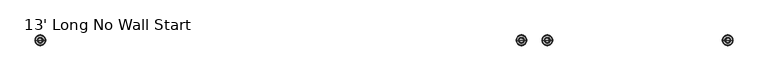
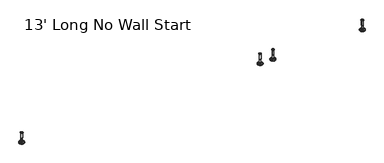
"""IFC4 building model written with IfcOpenShell, lengths in millimetres: furniture geometry, 13' Long No Wall Start."""

from ifc_helpers import new_model, si_unit, frame, origin, place, context, project, spatial, polyline, circle_curve, source, transform, mapped, element, save
from ifc_brep_helpers import plane_surface, cylinder_surface, revolved_surface, advanced_brep


def furniture_13_long_no_wall_start_12403774(model_context):
    return source(origin(), model_context, "Body", "AdvancedBrep", [
        advanced_brep(
        [(3105.3364323, 0.0, 101.6), (3114.3143537, 0.0, 101.6), (3096.3585109, 0.0, 101.6), (3119.4406722, 0.0, 0.0206943), (3105.3364323, 0.0, 0.0206943), (3091.2321924, 0.0, 0.0206943), (3124.318704, 0.0, 1.4194474), (3086.3541606, 0.0, 1.4194474), (3128.080619, 0.0, 4.7394056), (3082.5922456, 0.0, 4.7394056), (3129.1980686, 0.0, 7.5051905), (3081.474796, 0.0, 7.5051905), (3129.1980686, 0.0, 8.3065967), (3081.474796, 0.0, 8.3065967), (3128.3556654, 0.0, 9.8469348), (3082.3171992, 0.0, 9.8469348), (3127.2555228, 0.0, 10.8375077), (3083.4173418, 0.0, 10.8375077), (3119.9518276, 0.0, 12.7338946), (3090.721037, 0.0, 12.7338946), (3112.5336762, 0.0, 13.3828987), (3098.1391884, 0.0, 13.3828987), (3112.5336762, 0.0, 14.1772758), (3098.1391884, 0.0, 14.1772758), (3110.1368834, 0.0, 14.1772758), (3100.5359812, 0.0, 14.1772758), (3110.1368834, 0.0, 18.8098403), (3100.5359812, 0.0, 18.8098403), (3111.152736, 0.0, 19.8256929), (3099.5201286, 0.0, 19.8256929), (3111.152736, 0.0, 48.3056352), (3099.5201286, 0.0, 48.3056352), (3112.3762639, 0.0, 49.9293116), (3098.2966007, 0.0, 49.9293116), (3112.3762639, 0.0, 97.327223), (3098.2966007, 0.0, 97.327223), (3113.2573683, 0.0, 97.6479188), (3097.4154963, 0.0, 97.6479188), (3114.3063572, 0.0, 97.6479188), (3096.3665074, 0.0, 97.6479188), (3115.9713871, 0.0, 98.6092242), (3094.7014775, 0.0, 98.6092242), (3115.9713871, 0.0, 100.6043539), (3094.7014775, 0.0, 100.6043539)],
        [
            (0, 1),
            (1, 2, circle_curve(frame((3105.3364323, 0.0, 101.6), z_axis=(0.0, 0.0, 1.0), x_axis=(-1.0, 0.0, 0.0)), 8.9779214)),
            (2, 0),
            (2, 1, circle_curve(frame((3105.3364323, 0.0, 101.6), z_axis=(0.0, 0.0, 1.0), x_axis=(-1.0, 0.0, 0.0)), 8.9779214)),
            (3, 4),
            (4, 5),
            (5, 3, circle_curve(frame((3105.3364323, 0.0, 0.0206943), z_axis=(0.0, 0.0, -1.0), x_axis=(-1.0, 0.0, 0.0)), 14.1042399)),
            (3, 5, circle_curve(frame((3105.3364323, 0.0, 0.0206943), z_axis=(0.0, 0.0, -1.0), x_axis=(-1.0, 0.0, 0.0)), 14.1042399)),
            (6, 3),
            (5, 7),
            (7, 6, circle_curve(frame((3105.3364323, 0.0, 1.4194474), z_axis=(0.0, 0.0, -1.0), x_axis=(-1.0, 0.0, 0.0)), 18.9822717)),
            (6, 7, circle_curve(frame((3105.3364323, 0.0, 1.4194474), z_axis=(0.0, 0.0, -1.0), x_axis=(-1.0, 0.0, 0.0)), 18.9822717)),
            (8, 6),
            (7, 9),
            (9, 8, circle_curve(frame((3105.3364323, 0.0, 4.7394056), z_axis=(0.0, 0.0, -1.0), x_axis=(-1.0, 0.0, 0.0)), 22.7441867)),
            (8, 9, circle_curve(frame((3105.3364323, 0.0, 4.7394056), z_axis=(0.0, 0.0, -1.0), x_axis=(-1.0, 0.0, 0.0)), 22.7441867)),
            (10, 8),
            (9, 11),
            (11, 10, circle_curve(frame((3105.3364323, 0.0, 7.5051905), z_axis=(0.0, 0.0, -1.0), x_axis=(-1.0, 0.0, 0.0)), 23.8616363)),
            (10, 11, circle_curve(frame((3105.3364323, 0.0, 7.5051905), z_axis=(0.0, 0.0, -1.0), x_axis=(-1.0, 0.0, 0.0)), 23.8616363)),
            (12, 10),
            (11, 13),
            (13, 12, circle_curve(frame((3105.3364323, 0.0, 8.3065967), z_axis=(0.0, 0.0, -1.0), x_axis=(-1.0, 0.0, 0.0)), 23.8616363)),
            (12, 13, circle_curve(frame((3105.3364323, 0.0, 8.3065967), z_axis=(0.0, 0.0, -1.0), x_axis=(-1.0, 0.0, 0.0)), 23.8616363)),
            (14, 12),
            (13, 15),
            (15, 14, circle_curve(frame((3105.3364323, 0.0, 9.8469348), z_axis=(0.0, 0.0, -1.0), x_axis=(-1.0, 0.0, 0.0)), 23.0192331)),
            (14, 15, circle_curve(frame((3105.3364323, 0.0, 9.8469348), z_axis=(0.0, 0.0, -1.0), x_axis=(-1.0, 0.0, 0.0)), 23.0192331)),
            (16, 14),
            (15, 17),
            (17, 16, circle_curve(frame((3105.3364323, 0.0, 10.8375077), z_axis=(0.0, 0.0, -1.0), x_axis=(-1.0, 0.0, 0.0)), 21.9190905)),
            (16, 17, circle_curve(frame((3105.3364323, 0.0, 10.8375077), z_axis=(0.0, 0.0, -1.0), x_axis=(-1.0, 0.0, 0.0)), 21.9190905)),
            (18, 16),
            (17, 19),
            (19, 18, circle_curve(frame((3105.3364323, 0.0, 12.7338946), z_axis=(0.0, 0.0, -1.0), x_axis=(-1.0, 0.0, 0.0)), 14.6153953)),
            (18, 19, circle_curve(frame((3105.3364323, 0.0, 12.7338946), z_axis=(0.0, 0.0, -1.0), x_axis=(-1.0, 0.0, 0.0)), 14.6153953)),
            (20, 18),
            (19, 21),
            (21, 20, circle_curve(frame((3105.3364323, 0.0, 13.3828987), z_axis=(0.0, 0.0, -1.0), x_axis=(-1.0, 0.0, 0.0)), 7.1972439)),
            (20, 21, circle_curve(frame((3105.3364323, 0.0, 13.3828987), z_axis=(0.0, 0.0, -1.0), x_axis=(-1.0, 0.0, 0.0)), 7.1972439)),
            (22, 20),
            (21, 23),
            (23, 22, circle_curve(frame((3105.3364323, 0.0, 14.1772758), z_axis=(0.0, 0.0, -1.0), x_axis=(-1.0, 0.0, 0.0)), 7.1972439)),
            (22, 23, circle_curve(frame((3105.3364323, 0.0, 14.1772758), z_axis=(0.0, 0.0, -1.0), x_axis=(-1.0, 0.0, 0.0)), 7.1972439)),
            (24, 22),
            (23, 25),
            (25, 24, circle_curve(frame((3105.3364323, 0.0, 14.1772758), z_axis=(0.0, 0.0, -1.0), x_axis=(-1.0, 0.0, 0.0)), 4.8004511)),
            (24, 25, circle_curve(frame((3105.3364323, 0.0, 14.1772758), z_axis=(0.0, 0.0, -1.0), x_axis=(-1.0, 0.0, 0.0)), 4.8004511)),
            (26, 24),
            (25, 27),
            (27, 26, circle_curve(frame((3105.3364323, 0.0, 18.8098403), z_axis=(0.0, 0.0, -1.0), x_axis=(-1.0, 0.0, 0.0)), 4.8004511)),
            (26, 27, circle_curve(frame((3105.3364323, 0.0, 18.8098403), z_axis=(0.0, 0.0, -1.0), x_axis=(-1.0, 0.0, 0.0)), 4.8004511)),
            (28, 26),
            (27, 29),
            (29, 28, circle_curve(frame((3105.3364323, 0.0, 19.8256929), z_axis=(0.0, 0.0, -1.0), x_axis=(-1.0, 0.0, 0.0)), 5.8163037)),
            (28, 29, circle_curve(frame((3105.3364323, 0.0, 19.8256929), z_axis=(0.0, 0.0, -1.0), x_axis=(-1.0, 0.0, 0.0)), 5.8163037)),
            (30, 28),
            (29, 31),
            (31, 30, circle_curve(frame((3105.3364323, 0.0, 48.3056352), z_axis=(0.0, 0.0, -1.0), x_axis=(-1.0, 0.0, 0.0)), 5.8163037)),
            (30, 31, circle_curve(frame((3105.3364323, 0.0, 48.3056352), z_axis=(0.0, 0.0, -1.0), x_axis=(-1.0, 0.0, 0.0)), 5.8163037)),
            (32, 30),
            (31, 33),
            (33, 32, circle_curve(frame((3105.3364323, 0.0, 49.9293116), z_axis=(0.0, 0.0, -1.0), x_axis=(-1.0, 0.0, 0.0)), 7.0398316)),
            (32, 33, circle_curve(frame((3105.3364323, 0.0, 49.9293116), z_axis=(0.0, 0.0, -1.0), x_axis=(-1.0, 0.0, 0.0)), 7.0398316)),
            (34, 32),
            (33, 35),
            (35, 34, circle_curve(frame((3105.3364323, 0.0, 97.327223), z_axis=(0.0, 0.0, -1.0), x_axis=(-1.0, 0.0, 0.0)), 7.0398316)),
            (34, 35, circle_curve(frame((3105.3364323, 0.0, 97.327223), z_axis=(0.0, 0.0, -1.0), x_axis=(-1.0, 0.0, 0.0)), 7.0398316)),
            (36, 34),
            (35, 37),
            (37, 36, circle_curve(frame((3105.3364323, 0.0, 97.6479188), z_axis=(0.0, 0.0, -1.0), x_axis=(-1.0, 0.0, 0.0)), 7.920936)),
            (36, 37, circle_curve(frame((3105.3364323, 0.0, 97.6479188), z_axis=(0.0, 0.0, -1.0), x_axis=(-1.0, 0.0, 0.0)), 7.920936)),
            (38, 36),
            (37, 39),
            (39, 38, circle_curve(frame((3105.3364323, 0.0, 97.6479188), z_axis=(0.0, 0.0, -1.0), x_axis=(-1.0, 0.0, 0.0)), 8.9699249)),
            (38, 39, circle_curve(frame((3105.3364323, 0.0, 97.6479188), z_axis=(0.0, 0.0, -1.0), x_axis=(-1.0, 0.0, 0.0)), 8.9699249)),
            (40, 38),
            (39, 41),
            (41, 40, circle_curve(frame((3105.3364323, 0.0, 98.6092242), z_axis=(0.0, 0.0, -1.0), x_axis=(-1.0, 0.0, 0.0)), 10.6349548)),
            (40, 41, circle_curve(frame((3105.3364323, 0.0, 98.6092242), z_axis=(0.0, 0.0, -1.0), x_axis=(-1.0, 0.0, 0.0)), 10.6349548)),
            (42, 40),
            (41, 43),
            (43, 42, circle_curve(frame((3105.3364323, 0.0, 100.6043539), z_axis=(0.0, 0.0, -1.0), x_axis=(-1.0, 0.0, 0.0)), 10.6349548)),
            (42, 43, circle_curve(frame((3105.3364323, 0.0, 100.6043539), z_axis=(0.0, 0.0, -1.0), x_axis=(-1.0, 0.0, 0.0)), 10.6349548)),
            (1, 42),
            (43, 2),
        ],
        [
            plane_surface(frame((3105.3364323, 0.0, 101.6), z_axis=(0.0, 0.0, 1.0), x_axis=(-1.0, 0.0, 0.0))),
            plane_surface(frame((3105.3364323, 0.0, 0.0206943), z_axis=(0.0, 0.0, -1.0), x_axis=(-1.0, 0.0, 0.0))),
            revolved_surface(polyline([(3091.2321924, 0.0, 0.0206943), (3086.3541606, 0.0, 1.4194474)]), (3105.3364323, 0.0, 101.6), (0.0, 0.0, 1.0)),
            revolved_surface(polyline([(3086.3541606, 0.0, 1.4194474), (3082.5922456, 0.0, 4.7394056)]), (3105.3364323, 0.0, 101.6), (0.0, 0.0, 1.0)),
            revolved_surface(polyline([(3082.5922456, 0.0, 4.7394056), (3081.474796, 0.0, 7.5051905)]), (3105.3364323, 0.0, 101.6), (0.0, 0.0, 1.0)),
            cylinder_surface(frame((3105.3364323, 0.0, 101.6), z_axis=(0.0, 0.0, 1.0), x_axis=(-1.0, 0.0, 0.0)), 23.8616363),
            revolved_surface(polyline([(3081.474796, 0.0, 8.3065967), (3082.3171992, 0.0, 9.8469348)]), (3105.3364323, 0.0, 101.6), (0.0, 0.0, 1.0)),
            revolved_surface(polyline([(3082.3171992, 0.0, 9.8469348), (3083.4173418, 0.0, 10.8375077)]), (3105.3364323, 0.0, 101.6), (0.0, 0.0, 1.0)),
            revolved_surface(polyline([(3083.4173418, 0.0, 10.8375077), (3090.721037, 0.0, 12.7338946)]), (3105.3364323, 0.0, 101.6), (0.0, 0.0, 1.0)),
            revolved_surface(polyline([(3090.721037, 0.0, 12.7338946), (3098.1391884, 0.0, 13.3828987)]), (3105.3364323, 0.0, 101.6), (0.0, 0.0, 1.0)),
            cylinder_surface(frame((3105.3364323, 0.0, 101.6), z_axis=(0.0, 0.0, 1.0), x_axis=(-1.0, 0.0, 0.0)), 7.1972439),
            plane_surface(frame((3105.3364323, 0.0, 14.1772758), z_axis=(0.0, 0.0, 1.0), x_axis=(-1.0, 0.0, 0.0))),
            cylinder_surface(frame((3105.3364323, 0.0, 101.6), z_axis=(0.0, 0.0, 1.0), x_axis=(-1.0, 0.0, 0.0)), 4.8004511),
            revolved_surface(polyline([(3100.5359812, 0.0, 18.8098403), (3099.5201286, 0.0, 19.8256929)]), (3105.3364323, 0.0, 101.6), (0.0, 0.0, 1.0)),
            cylinder_surface(frame((3105.3364323, 0.0, 101.6), z_axis=(0.0, 0.0, 1.0), x_axis=(-1.0, 0.0, 0.0)), 5.8163037),
            revolved_surface(polyline([(3099.5201286, 0.0, 48.3056352), (3098.2966007, 0.0, 49.9293116)]), (3105.3364323, 0.0, 101.6), (0.0, 0.0, 1.0)),
            cylinder_surface(frame((3105.3364323, 0.0, 101.6), z_axis=(0.0, 0.0, 1.0), x_axis=(-1.0, 0.0, 0.0)), 7.0398316),
            revolved_surface(polyline([(3098.2966007, 0.0, 97.327223), (3097.4154963, 0.0, 97.6479188)]), (3105.3364323, 0.0, 101.6), (0.0, 0.0, 1.0)),
            plane_surface(frame((3105.3364323, 0.0, 97.6479188), z_axis=(0.0, 0.0, -1.0), x_axis=(-1.0, 0.0, 0.0))),
            revolved_surface(polyline([(3096.3665074, 0.0, 97.6479188), (3094.7014775, 0.0, 98.6092242)]), (3105.3364323, 0.0, 101.6), (0.0, 0.0, 1.0)),
            cylinder_surface(frame((3105.3364323, 0.0, 101.6), z_axis=(0.0, 0.0, 1.0), x_axis=(-1.0, 0.0, 0.0)), 10.6349548),
            revolved_surface(polyline([(3094.7014775, 0.0, 100.6043539), (3096.3585109, 0.0, 101.6)]), (3105.3364323, 0.0, 101.6), (0.0, 0.0, 1.0)),
        ],
        [
            (0, [[1, 2, 3]]),
            (0, [[-3, 4, -1]]),
            (1, [[5, 6, 7]]),
            (1, [[-6, -5, 8]]),
            (2, [[9, -7, 10, 11]]),
            (2, [[-10, -8, -9, 12]]),
            (3, [[13, -11, 14, 15]]),
            (3, [[-14, -12, -13, 16]]),
            (4, [[17, -15, 18, 19]]),
            (4, [[-18, -16, -17, 20]]),
            (5, [[21, -19, 22, 23]]),
            (5, [[-22, -20, -21, 24]]),
            (6, [[25, -23, 26, 27]]),
            (6, [[-26, -24, -25, 28]]),
            (7, [[29, -27, 30, 31]]),
            (7, [[-30, -28, -29, 32]]),
            (8, [[33, -31, 34, 35]]),
            (8, [[-34, -32, -33, 36]]),
            (9, [[37, -35, 38, 39]]),
            (9, [[-38, -36, -37, 40]]),
            (10, [[41, -39, 42, 43]]),
            (10, [[-42, -40, -41, 44]]),
            (11, [[45, -43, 46, 47]]),
            (11, [[-46, -44, -45, 48]]),
            (12, [[49, -47, 50, 51]]),
            (12, [[-50, -48, -49, 52]]),
            (13, [[53, -51, 54, 55]]),
            (13, [[-54, -52, -53, 56]]),
            (14, [[57, -55, 58, 59]]),
            (14, [[-58, -56, -57, 60]]),
            (15, [[61, -59, 62, 63]]),
            (15, [[-62, -60, -61, 64]]),
            (16, [[65, -63, 66, 67]]),
            (16, [[-66, -64, -65, 68]]),
            (17, [[69, -67, 70, 71]]),
            (17, [[-70, -68, -69, 72]]),
            (18, [[73, -71, 74, 75]]),
            (18, [[-74, -72, -73, 76]]),
            (19, [[77, -75, 78, 79]]),
            (19, [[-78, -76, -77, 80]]),
            (20, [[81, -79, 82, 83]]),
            (20, [[-82, -80, -81, 84]]),
            (21, [[85, -83, 86, -2]]),
            (21, [[-86, -84, -85, -4]]),
        ],
    ),
        advanced_brep(
        [(2990.6635677, 0.0, 101.6), (2999.6414891, 0.0, 101.6), (2981.6856463, 0.0, 101.6), (2976.5593278, 0.0, 0.0206943), (3004.7678076, 0.0, 0.0206943), (2990.6635677, 0.0, 0.0206943), (2971.681296, 0.0, 1.4194474), (3009.6458394, 0.0, 1.4194474), (2967.919381, 0.0, 4.7394056), (3013.4077544, 0.0, 4.7394056), (2966.8019314, 0.0, 7.5051905), (3014.525204, 0.0, 7.5051905), (2966.8019314, 0.0, 8.3065967), (3014.525204, 0.0, 8.3065967), (2967.6443346, 0.0, 9.8469348), (3013.6828008, 0.0, 9.8469348), (2968.7444772, 0.0, 10.8375077), (3012.5826582, 0.0, 10.8375077), (2976.0481724, 0.0, 12.7338946), (3005.278963, 0.0, 12.7338946), (2983.4663238, 0.0, 13.3828987), (2997.8608116, 0.0, 13.3828987), (2983.4663238, 0.0, 14.1772758), (2997.8608116, 0.0, 14.1772758), (2985.8631166, 0.0, 14.1772758), (2995.4640188, 0.0, 14.1772758), (2985.8631166, 0.0, 18.8098403), (2995.4640188, 0.0, 18.8098403), (2984.847264, 0.0, 19.8256929), (2996.4798714, 0.0, 19.8256929), (2984.847264, 0.0, 48.3056352), (2996.4798714, 0.0, 48.3056352), (2983.6237361, 0.0, 49.9293116), (2997.7033993, 0.0, 49.9293116), (2983.6237361, 0.0, 97.327223), (2997.7033993, 0.0, 97.327223), (2982.7426317, 0.0, 97.6479188), (2998.5845037, 0.0, 97.6479188), (2981.6936428, 0.0, 97.6479188), (2999.6334926, 0.0, 97.6479188), (2980.0286129, 0.0, 98.6092242), (3001.2985225, 0.0, 98.6092242), (2980.0286129, 0.0, 100.6043539), (3001.2985225, 0.0, 100.6043539)],
        [
            (0, 1),
            (1, 2, circle_curve(frame((2990.6635677, 0.0, 101.6), z_axis=(0.0, 0.0, 1.0), x_axis=(1.0, 0.0, 0.0)), 8.9779214)),
            (2, 0),
            (2, 1, circle_curve(frame((2990.6635677, 0.0, 101.6), z_axis=(0.0, 0.0, 1.0), x_axis=(1.0, 0.0, 0.0)), 8.9779214)),
            (3, 4, circle_curve(frame((2990.6635677, 0.0, 0.0206943), z_axis=(0.0, 0.0, -1.0), x_axis=(1.0, 0.0, 0.0)), 14.1042399)),
            (4, 5),
            (5, 3),
            (4, 3, circle_curve(frame((2990.6635677, 0.0, 0.0206943), z_axis=(0.0, 0.0, -1.0), x_axis=(1.0, 0.0, 0.0)), 14.1042399)),
            (6, 7, circle_curve(frame((2990.6635677, 0.0, 1.4194474), z_axis=(0.0, 0.0, -1.0), x_axis=(1.0, 0.0, 0.0)), 18.9822717)),
            (7, 4),
            (3, 6),
            (7, 6, circle_curve(frame((2990.6635677, 0.0, 1.4194474), z_axis=(0.0, 0.0, -1.0), x_axis=(1.0, 0.0, 0.0)), 18.9822717)),
            (8, 9, circle_curve(frame((2990.6635677, 0.0, 4.7394056), z_axis=(0.0, 0.0, -1.0), x_axis=(1.0, 0.0, 0.0)), 22.7441867)),
            (9, 7),
            (6, 8),
            (9, 8, circle_curve(frame((2990.6635677, 0.0, 4.7394056), z_axis=(0.0, 0.0, -1.0), x_axis=(1.0, 0.0, 0.0)), 22.7441867)),
            (10, 11, circle_curve(frame((2990.6635677, 0.0, 7.5051905), z_axis=(0.0, 0.0, -1.0), x_axis=(1.0, 0.0, 0.0)), 23.8616363)),
            (11, 9),
            (8, 10),
            (11, 10, circle_curve(frame((2990.6635677, 0.0, 7.5051905), z_axis=(0.0, 0.0, -1.0), x_axis=(1.0, 0.0, 0.0)), 23.8616363)),
            (12, 13, circle_curve(frame((2990.6635677, 0.0, 8.3065967), z_axis=(0.0, 0.0, -1.0), x_axis=(1.0, 0.0, 0.0)), 23.8616363)),
            (13, 11),
            (10, 12),
            (13, 12, circle_curve(frame((2990.6635677, 0.0, 8.3065967), z_axis=(0.0, 0.0, -1.0), x_axis=(1.0, 0.0, 0.0)), 23.8616363)),
            (14, 15, circle_curve(frame((2990.6635677, 0.0, 9.8469348), z_axis=(0.0, 0.0, -1.0), x_axis=(1.0, 0.0, 0.0)), 23.0192331)),
            (15, 13),
            (12, 14),
            (15, 14, circle_curve(frame((2990.6635677, 0.0, 9.8469348), z_axis=(0.0, 0.0, -1.0), x_axis=(1.0, 0.0, 0.0)), 23.0192331)),
            (16, 17, circle_curve(frame((2990.6635677, 0.0, 10.8375077), z_axis=(0.0, 0.0, -1.0), x_axis=(1.0, 0.0, 0.0)), 21.9190905)),
            (17, 15),
            (14, 16),
            (17, 16, circle_curve(frame((2990.6635677, 0.0, 10.8375077), z_axis=(0.0, 0.0, -1.0), x_axis=(1.0, 0.0, 0.0)), 21.9190905)),
            (18, 19, circle_curve(frame((2990.6635677, 0.0, 12.7338946), z_axis=(0.0, 0.0, -1.0), x_axis=(1.0, 0.0, 0.0)), 14.6153953)),
            (19, 17),
            (16, 18),
            (19, 18, circle_curve(frame((2990.6635677, 0.0, 12.7338946), z_axis=(0.0, 0.0, -1.0), x_axis=(1.0, 0.0, 0.0)), 14.6153953)),
            (20, 21, circle_curve(frame((2990.6635677, 0.0, 13.3828987), z_axis=(0.0, 0.0, -1.0), x_axis=(1.0, 0.0, 0.0)), 7.1972439)),
            (21, 19),
            (18, 20),
            (21, 20, circle_curve(frame((2990.6635677, 0.0, 13.3828987), z_axis=(0.0, 0.0, -1.0), x_axis=(1.0, 0.0, 0.0)), 7.1972439)),
            (22, 23, circle_curve(frame((2990.6635677, 0.0, 14.1772758), z_axis=(0.0, 0.0, -1.0), x_axis=(1.0, 0.0, 0.0)), 7.1972439)),
            (23, 21),
            (20, 22),
            (23, 22, circle_curve(frame((2990.6635677, 0.0, 14.1772758), z_axis=(0.0, 0.0, -1.0), x_axis=(1.0, 0.0, 0.0)), 7.1972439)),
            (24, 25, circle_curve(frame((2990.6635677, 0.0, 14.1772758), z_axis=(0.0, 0.0, -1.0), x_axis=(1.0, 0.0, 0.0)), 4.8004511)),
            (25, 23),
            (22, 24),
            (25, 24, circle_curve(frame((2990.6635677, 0.0, 14.1772758), z_axis=(0.0, 0.0, -1.0), x_axis=(1.0, 0.0, 0.0)), 4.8004511)),
            (26, 27, circle_curve(frame((2990.6635677, 0.0, 18.8098403), z_axis=(0.0, 0.0, -1.0), x_axis=(1.0, 0.0, 0.0)), 4.8004511)),
            (27, 25),
            (24, 26),
            (27, 26, circle_curve(frame((2990.6635677, 0.0, 18.8098403), z_axis=(0.0, 0.0, -1.0), x_axis=(1.0, 0.0, 0.0)), 4.8004511)),
            (28, 29, circle_curve(frame((2990.6635677, 0.0, 19.8256929), z_axis=(0.0, 0.0, -1.0), x_axis=(1.0, 0.0, 0.0)), 5.8163037)),
            (29, 27),
            (26, 28),
            (29, 28, circle_curve(frame((2990.6635677, 0.0, 19.8256929), z_axis=(0.0, 0.0, -1.0), x_axis=(1.0, 0.0, 0.0)), 5.8163037)),
            (30, 31, circle_curve(frame((2990.6635677, 0.0, 48.3056352), z_axis=(0.0, 0.0, -1.0), x_axis=(1.0, 0.0, 0.0)), 5.8163037)),
            (31, 29),
            (28, 30),
            (31, 30, circle_curve(frame((2990.6635677, 0.0, 48.3056352), z_axis=(0.0, 0.0, -1.0), x_axis=(1.0, 0.0, 0.0)), 5.8163037)),
            (32, 33, circle_curve(frame((2990.6635677, 0.0, 49.9293116), z_axis=(0.0, 0.0, -1.0), x_axis=(1.0, 0.0, 0.0)), 7.0398316)),
            (33, 31),
            (30, 32),
            (33, 32, circle_curve(frame((2990.6635677, 0.0, 49.9293116), z_axis=(0.0, 0.0, -1.0), x_axis=(1.0, 0.0, 0.0)), 7.0398316)),
            (34, 35, circle_curve(frame((2990.6635677, 0.0, 97.327223), z_axis=(0.0, 0.0, -1.0), x_axis=(1.0, 0.0, 0.0)), 7.0398316)),
            (35, 33),
            (32, 34),
            (35, 34, circle_curve(frame((2990.6635677, 0.0, 97.327223), z_axis=(0.0, 0.0, -1.0), x_axis=(1.0, 0.0, 0.0)), 7.0398316)),
            (36, 37, circle_curve(frame((2990.6635677, 0.0, 97.6479188), z_axis=(0.0, 0.0, -1.0), x_axis=(1.0, 0.0, 0.0)), 7.920936)),
            (37, 35),
            (34, 36),
            (37, 36, circle_curve(frame((2990.6635677, 0.0, 97.6479188), z_axis=(0.0, 0.0, -1.0), x_axis=(1.0, 0.0, 0.0)), 7.920936)),
            (38, 39, circle_curve(frame((2990.6635677, 0.0, 97.6479188), z_axis=(0.0, 0.0, -1.0), x_axis=(1.0, 0.0, 0.0)), 8.9699249)),
            (39, 37),
            (36, 38),
            (39, 38, circle_curve(frame((2990.6635677, 0.0, 97.6479188), z_axis=(0.0, 0.0, -1.0), x_axis=(1.0, 0.0, 0.0)), 8.9699249)),
            (40, 41, circle_curve(frame((2990.6635677, 0.0, 98.6092242), z_axis=(0.0, 0.0, -1.0), x_axis=(1.0, 0.0, 0.0)), 10.6349548)),
            (41, 39),
            (38, 40),
            (41, 40, circle_curve(frame((2990.6635677, 0.0, 98.6092242), z_axis=(0.0, 0.0, -1.0), x_axis=(1.0, 0.0, 0.0)), 10.6349548)),
            (42, 43, circle_curve(frame((2990.6635677, 0.0, 100.6043539), z_axis=(0.0, 0.0, -1.0), x_axis=(1.0, 0.0, 0.0)), 10.6349548)),
            (43, 41),
            (40, 42),
            (43, 42, circle_curve(frame((2990.6635677, 0.0, 100.6043539), z_axis=(0.0, 0.0, -1.0), x_axis=(1.0, 0.0, 0.0)), 10.6349548)),
            (1, 43),
            (42, 2),
        ],
        [
            plane_surface(frame((2990.6635677, 0.0, 101.6), z_axis=(0.0, 0.0, 1.0), x_axis=(1.0, 0.0, 0.0))),
            plane_surface(frame((2990.6635677, 0.0, 0.0206943), z_axis=(0.0, 0.0, -1.0), x_axis=(1.0, 0.0, 0.0))),
            revolved_surface(polyline([(3004.7678076, 0.0, 0.0206943), (3009.6458394, 0.0, 1.4194474)]), (2990.6635677, 0.0, 101.6), (0.0, 0.0, 1.0)),
            revolved_surface(polyline([(3009.6458394, 0.0, 1.4194474), (3013.4077544, 0.0, 4.7394056)]), (2990.6635677, 0.0, 101.6), (0.0, 0.0, 1.0)),
            revolved_surface(polyline([(3013.4077544, 0.0, 4.7394056), (3014.525204, 0.0, 7.5051905)]), (2990.6635677, 0.0, 101.6), (0.0, 0.0, 1.0)),
            cylinder_surface(frame((2990.6635677, 0.0, 101.6), z_axis=(0.0, 0.0, 1.0), x_axis=(1.0, 0.0, 0.0)), 23.8616363),
            revolved_surface(polyline([(3014.525204, 0.0, 8.3065967), (3013.6828008, 0.0, 9.8469348)]), (2990.6635677, 0.0, 101.6), (0.0, 0.0, 1.0)),
            revolved_surface(polyline([(3013.6828008, 0.0, 9.8469348), (3012.5826582, 0.0, 10.8375077)]), (2990.6635677, 0.0, 101.6), (0.0, 0.0, 1.0)),
            revolved_surface(polyline([(3012.5826582, 0.0, 10.8375077), (3005.278963, 0.0, 12.7338946)]), (2990.6635677, 0.0, 101.6), (0.0, 0.0, 1.0)),
            revolved_surface(polyline([(3005.278963, 0.0, 12.7338946), (2997.8608116, 0.0, 13.3828987)]), (2990.6635677, 0.0, 101.6), (0.0, 0.0, 1.0)),
            cylinder_surface(frame((2990.6635677, 0.0, 101.6), z_axis=(0.0, 0.0, 1.0), x_axis=(1.0, 0.0, 0.0)), 7.1972439),
            plane_surface(frame((2990.6635677, 0.0, 14.1772758), z_axis=(0.0, 0.0, 1.0), x_axis=(1.0, 0.0, 0.0))),
            cylinder_surface(frame((2990.6635677, 0.0, 101.6), z_axis=(0.0, 0.0, 1.0), x_axis=(1.0, 0.0, 0.0)), 4.8004511),
            revolved_surface(polyline([(2995.4640188, 0.0, 18.8098403), (2996.4798714, 0.0, 19.8256929)]), (2990.6635677, 0.0, 101.6), (0.0, 0.0, 1.0)),
            cylinder_surface(frame((2990.6635677, 0.0, 101.6), z_axis=(0.0, 0.0, 1.0), x_axis=(1.0, 0.0, 0.0)), 5.8163037),
            revolved_surface(polyline([(2996.4798714, 0.0, 48.3056352), (2997.7033993, 0.0, 49.9293116)]), (2990.6635677, 0.0, 101.6), (0.0, 0.0, 1.0)),
            cylinder_surface(frame((2990.6635677, 0.0, 101.6), z_axis=(0.0, 0.0, 1.0), x_axis=(1.0, 0.0, 0.0)), 7.0398316),
            revolved_surface(polyline([(2997.7033993, 0.0, 97.327223), (2998.5845037, 0.0, 97.6479188)]), (2990.6635677, 0.0, 101.6), (0.0, 0.0, 1.0)),
            plane_surface(frame((2990.6635677, 0.0, 97.6479188), z_axis=(0.0, 0.0, -1.0), x_axis=(1.0, 0.0, 0.0))),
            revolved_surface(polyline([(2999.6334926, 0.0, 97.6479188), (3001.2985225, 0.0, 98.6092242)]), (2990.6635677, 0.0, 101.6), (0.0, 0.0, 1.0)),
            cylinder_surface(frame((2990.6635677, 0.0, 101.6), z_axis=(0.0, 0.0, 1.0), x_axis=(1.0, 0.0, 0.0)), 10.6349548),
            revolved_surface(polyline([(3001.2985225, 0.0, 100.6043539), (2999.6414891, 0.0, 101.6)]), (2990.6635677, 0.0, 101.6), (0.0, 0.0, 1.0)),
        ],
        [
            (0, [[1, 2, 3]]),
            (0, [[-3, 4, -1]]),
            (1, [[5, 6, 7]]),
            (1, [[8, -7, -6]]),
            (2, [[9, 10, -5, 11]]),
            (2, [[12, -11, -8, -10]]),
            (3, [[13, 14, -9, 15]]),
            (3, [[16, -15, -12, -14]]),
            (4, [[17, 18, -13, 19]]),
            (4, [[20, -19, -16, -18]]),
            (5, [[21, 22, -17, 23]]),
            (5, [[24, -23, -20, -22]]),
            (6, [[25, 26, -21, 27]]),
            (6, [[28, -27, -24, -26]]),
            (7, [[29, 30, -25, 31]]),
            (7, [[32, -31, -28, -30]]),
            (8, [[33, 34, -29, 35]]),
            (8, [[36, -35, -32, -34]]),
            (9, [[37, 38, -33, 39]]),
            (9, [[40, -39, -36, -38]]),
            (10, [[41, 42, -37, 43]]),
            (10, [[44, -43, -40, -42]]),
            (11, [[45, 46, -41, 47]]),
            (11, [[48, -47, -44, -46]]),
            (12, [[49, 50, -45, 51]]),
            (12, [[52, -51, -48, -50]]),
            (13, [[53, 54, -49, 55]]),
            (13, [[56, -55, -52, -54]]),
            (14, [[57, 58, -53, 59]]),
            (14, [[60, -59, -56, -58]]),
            (15, [[61, 62, -57, 63]]),
            (15, [[64, -63, -60, -62]]),
            (16, [[65, 66, -61, 67]]),
            (16, [[68, -67, -64, -66]]),
            (17, [[69, 70, -65, 71]]),
            (17, [[72, -71, -68, -70]]),
            (18, [[73, 74, -69, 75]]),
            (18, [[76, -75, -72, -74]]),
            (19, [[77, 78, -73, 79]]),
            (19, [[80, -79, -76, -78]]),
            (20, [[81, 82, -77, 83]]),
            (20, [[84, -83, -80, -82]]),
            (21, [[-2, 85, -81, 86]]),
            (21, [[-4, -86, -84, -85]]),
        ],
    ),
        advanced_brep(
        [(3905.3372135, 0.0, 101.6), (3914.315135, 0.0, 101.6), (3896.3592921, 0.0, 101.6), (3919.4414535, 0.0, 0.0206943), (3905.3372135, 0.0, 0.0206943), (3891.2329736, 0.0, 0.0206943), (3924.3194852, 0.0, 1.4194474), (3886.3549419, 0.0, 1.4194474), (3928.0814003, 0.0, 4.7394056), (3882.5930268, 0.0, 4.7394056), (3929.1988499, 0.0, 7.5051905), (3881.4755772, 0.0, 7.5051905), (3929.1988499, 0.0, 8.3065967), (3881.4755772, 0.0, 8.3065967), (3928.3564467, 0.0, 9.8469348), (3882.3179804, 0.0, 9.8469348), (3927.256304, 0.0, 10.8375077), (3883.4181231, 0.0, 10.8375077), (3919.9526088, 0.0, 12.7338946), (3890.7218183, 0.0, 12.7338946), (3912.5344574, 0.0, 13.3828987), (3898.1399696, 0.0, 13.3828987), (3912.5344574, 0.0, 14.1772758), (3898.1399696, 0.0, 14.1772758), (3910.1376646, 0.0, 14.1772758), (3900.5367625, 0.0, 14.1772758), (3910.1376646, 0.0, 18.8098403), (3900.5367625, 0.0, 18.8098403), (3911.1535173, 0.0, 19.8256929), (3899.5209098, 0.0, 19.8256929), (3911.1535173, 0.0, 48.3056352), (3899.5209098, 0.0, 48.3056352), (3912.3770452, 0.0, 49.9293116), (3898.2973819, 0.0, 49.9293116), (3912.3770452, 0.0, 97.327223), (3898.2973819, 0.0, 97.327223), (3913.2581495, 0.0, 97.6479188), (3897.4162776, 0.0, 97.6479188), (3914.3071385, 0.0, 97.6479188), (3896.3672886, 0.0, 97.6479188), (3915.9721684, 0.0, 98.6092242), (3894.7022587, 0.0, 98.6092242), (3915.9721684, 0.0, 100.6043539), (3894.7022587, 0.0, 100.6043539)],
        [
            (0, 1),
            (1, 2, circle_curve(frame((3905.3372135, 0.0, 101.6), z_axis=(0.0, 0.0, 1.0), x_axis=(-1.0, 0.0, 0.0)), 8.9779214)),
            (2, 0),
            (2, 1, circle_curve(frame((3905.3372135, 0.0, 101.6), z_axis=(0.0, 0.0, 1.0), x_axis=(-1.0, 0.0, 0.0)), 8.9779214)),
            (3, 4),
            (4, 5),
            (5, 3, circle_curve(frame((3905.3372135, 0.0, 0.0206943), z_axis=(0.0, 0.0, -1.0), x_axis=(-1.0, 0.0, 0.0)), 14.1042399)),
            (3, 5, circle_curve(frame((3905.3372135, 0.0, 0.0206943), z_axis=(0.0, 0.0, -1.0), x_axis=(-1.0, 0.0, 0.0)), 14.1042399)),
            (6, 3),
            (5, 7),
            (7, 6, circle_curve(frame((3905.3372135, 0.0, 1.4194474), z_axis=(0.0, 0.0, -1.0), x_axis=(-1.0, 0.0, 0.0)), 18.9822717)),
            (6, 7, circle_curve(frame((3905.3372135, 0.0, 1.4194474), z_axis=(0.0, 0.0, -1.0), x_axis=(-1.0, 0.0, 0.0)), 18.9822717)),
            (8, 6),
            (7, 9),
            (9, 8, circle_curve(frame((3905.3372135, 0.0, 4.7394056), z_axis=(0.0, 0.0, -1.0), x_axis=(-1.0, 0.0, 0.0)), 22.7441867)),
            (8, 9, circle_curve(frame((3905.3372135, 0.0, 4.7394056), z_axis=(0.0, 0.0, -1.0), x_axis=(-1.0, 0.0, 0.0)), 22.7441867)),
            (10, 8),
            (9, 11),
            (11, 10, circle_curve(frame((3905.3372135, 0.0, 7.5051905), z_axis=(0.0, 0.0, -1.0), x_axis=(-1.0, 0.0, 0.0)), 23.8616363)),
            (10, 11, circle_curve(frame((3905.3372135, 0.0, 7.5051905), z_axis=(0.0, 0.0, -1.0), x_axis=(-1.0, 0.0, 0.0)), 23.8616363)),
            (12, 10),
            (11, 13),
            (13, 12, circle_curve(frame((3905.3372135, 0.0, 8.3065967), z_axis=(0.0, 0.0, -1.0), x_axis=(-1.0, 0.0, 0.0)), 23.8616363)),
            (12, 13, circle_curve(frame((3905.3372135, 0.0, 8.3065967), z_axis=(0.0, 0.0, -1.0), x_axis=(-1.0, 0.0, 0.0)), 23.8616363)),
            (14, 12),
            (13, 15),
            (15, 14, circle_curve(frame((3905.3372135, 0.0, 9.8469348), z_axis=(0.0, 0.0, -1.0), x_axis=(-1.0, 0.0, 0.0)), 23.0192331)),
            (14, 15, circle_curve(frame((3905.3372135, 0.0, 9.8469348), z_axis=(0.0, 0.0, -1.0), x_axis=(-1.0, 0.0, 0.0)), 23.0192331)),
            (16, 14),
            (15, 17),
            (17, 16, circle_curve(frame((3905.3372135, 0.0, 10.8375077), z_axis=(0.0, 0.0, -1.0), x_axis=(-1.0, 0.0, 0.0)), 21.9190905)),
            (16, 17, circle_curve(frame((3905.3372135, 0.0, 10.8375077), z_axis=(0.0, 0.0, -1.0), x_axis=(-1.0, 0.0, 0.0)), 21.9190905)),
            (18, 16),
            (17, 19),
            (19, 18, circle_curve(frame((3905.3372135, 0.0, 12.7338946), z_axis=(0.0, 0.0, -1.0), x_axis=(-1.0, 0.0, 0.0)), 14.6153953)),
            (18, 19, circle_curve(frame((3905.3372135, 0.0, 12.7338946), z_axis=(0.0, 0.0, -1.0), x_axis=(-1.0, 0.0, 0.0)), 14.6153953)),
            (20, 18),
            (19, 21),
            (21, 20, circle_curve(frame((3905.3372135, 0.0, 13.3828987), z_axis=(0.0, 0.0, -1.0), x_axis=(-1.0, 0.0, 0.0)), 7.1972439)),
            (20, 21, circle_curve(frame((3905.3372135, 0.0, 13.3828987), z_axis=(0.0, 0.0, -1.0), x_axis=(-1.0, 0.0, 0.0)), 7.1972439)),
            (22, 20),
            (21, 23),
            (23, 22, circle_curve(frame((3905.3372135, 0.0, 14.1772758), z_axis=(0.0, 0.0, -1.0), x_axis=(-1.0, 0.0, 0.0)), 7.1972439)),
            (22, 23, circle_curve(frame((3905.3372135, 0.0, 14.1772758), z_axis=(0.0, 0.0, -1.0), x_axis=(-1.0, 0.0, 0.0)), 7.1972439)),
            (24, 22),
            (23, 25),
            (25, 24, circle_curve(frame((3905.3372135, 0.0, 14.1772758), z_axis=(0.0, 0.0, -1.0), x_axis=(-1.0, 0.0, 0.0)), 4.8004511)),
            (24, 25, circle_curve(frame((3905.3372135, 0.0, 14.1772758), z_axis=(0.0, 0.0, -1.0), x_axis=(-1.0, 0.0, 0.0)), 4.8004511)),
            (26, 24),
            (25, 27),
            (27, 26, circle_curve(frame((3905.3372135, 0.0, 18.8098403), z_axis=(0.0, 0.0, -1.0), x_axis=(-1.0, 0.0, 0.0)), 4.8004511)),
            (26, 27, circle_curve(frame((3905.3372135, 0.0, 18.8098403), z_axis=(0.0, 0.0, -1.0), x_axis=(-1.0, 0.0, 0.0)), 4.8004511)),
            (28, 26),
            (27, 29),
            (29, 28, circle_curve(frame((3905.3372135, 0.0, 19.8256929), z_axis=(0.0, 0.0, -1.0), x_axis=(-1.0, 0.0, 0.0)), 5.8163037)),
            (28, 29, circle_curve(frame((3905.3372135, 0.0, 19.8256929), z_axis=(0.0, 0.0, -1.0), x_axis=(-1.0, 0.0, 0.0)), 5.8163037)),
            (30, 28),
            (29, 31),
            (31, 30, circle_curve(frame((3905.3372135, 0.0, 48.3056352), z_axis=(0.0, 0.0, -1.0), x_axis=(-1.0, 0.0, 0.0)), 5.8163037)),
            (30, 31, circle_curve(frame((3905.3372135, 0.0, 48.3056352), z_axis=(0.0, 0.0, -1.0), x_axis=(-1.0, 0.0, 0.0)), 5.8163037)),
            (32, 30),
            (31, 33),
            (33, 32, circle_curve(frame((3905.3372135, 0.0, 49.9293116), z_axis=(0.0, 0.0, -1.0), x_axis=(-1.0, 0.0, 0.0)), 7.0398316)),
            (32, 33, circle_curve(frame((3905.3372135, 0.0, 49.9293116), z_axis=(0.0, 0.0, -1.0), x_axis=(-1.0, 0.0, 0.0)), 7.0398316)),
            (34, 32),
            (33, 35),
            (35, 34, circle_curve(frame((3905.3372135, 0.0, 97.327223), z_axis=(0.0, 0.0, -1.0), x_axis=(-1.0, 0.0, 0.0)), 7.0398316)),
            (34, 35, circle_curve(frame((3905.3372135, 0.0, 97.327223), z_axis=(0.0, 0.0, -1.0), x_axis=(-1.0, 0.0, 0.0)), 7.0398316)),
            (36, 34),
            (35, 37),
            (37, 36, circle_curve(frame((3905.3372135, 0.0, 97.6479188), z_axis=(0.0, 0.0, -1.0), x_axis=(-1.0, 0.0, 0.0)), 7.920936)),
            (36, 37, circle_curve(frame((3905.3372135, 0.0, 97.6479188), z_axis=(0.0, 0.0, -1.0), x_axis=(-1.0, 0.0, 0.0)), 7.920936)),
            (38, 36),
            (37, 39),
            (39, 38, circle_curve(frame((3905.3372135, 0.0, 97.6479188), z_axis=(0.0, 0.0, -1.0), x_axis=(-1.0, 0.0, 0.0)), 8.9699249)),
            (38, 39, circle_curve(frame((3905.3372135, 0.0, 97.6479188), z_axis=(0.0, 0.0, -1.0), x_axis=(-1.0, 0.0, 0.0)), 8.9699249)),
            (40, 38),
            (39, 41),
            (41, 40, circle_curve(frame((3905.3372135, 0.0, 98.6092242), z_axis=(0.0, 0.0, -1.0), x_axis=(-1.0, 0.0, 0.0)), 10.6349548)),
            (40, 41, circle_curve(frame((3905.3372135, 0.0, 98.6092242), z_axis=(0.0, 0.0, -1.0), x_axis=(-1.0, 0.0, 0.0)), 10.6349548)),
            (42, 40),
            (41, 43),
            (43, 42, circle_curve(frame((3905.3372135, 0.0, 100.6043539), z_axis=(0.0, 0.0, -1.0), x_axis=(-1.0, 0.0, 0.0)), 10.6349548)),
            (42, 43, circle_curve(frame((3905.3372135, 0.0, 100.6043539), z_axis=(0.0, 0.0, -1.0), x_axis=(-1.0, 0.0, 0.0)), 10.6349548)),
            (1, 42),
            (43, 2),
        ],
        [
            plane_surface(frame((3905.3372135, 0.0, 101.6), z_axis=(0.0, 0.0, 1.0), x_axis=(-1.0, 0.0, 0.0))),
            plane_surface(frame((3905.3372135, 0.0, 0.0206943), z_axis=(0.0, 0.0, -1.0), x_axis=(-1.0, 0.0, 0.0))),
            revolved_surface(polyline([(3891.2329736, 0.0, 0.0206943), (3886.3549419, 0.0, 1.4194474)]), (3905.3372135, 0.0, 101.6), (0.0, 0.0, 1.0)),
            revolved_surface(polyline([(3886.3549419, 0.0, 1.4194474), (3882.5930268, 0.0, 4.7394056)]), (3905.3372135, 0.0, 101.6), (0.0, 0.0, 1.0)),
            revolved_surface(polyline([(3882.5930268, 0.0, 4.7394056), (3881.4755772, 0.0, 7.5051905)]), (3905.3372135, 0.0, 101.6), (0.0, 0.0, 1.0)),
            cylinder_surface(frame((3905.3372135, 0.0, 101.6), z_axis=(0.0, 0.0, 1.0), x_axis=(-1.0, 0.0, 0.0)), 23.8616363),
            revolved_surface(polyline([(3881.4755772, 0.0, 8.3065967), (3882.3179804, 0.0, 9.8469348)]), (3905.3372135, 0.0, 101.6), (0.0, 0.0, 1.0)),
            revolved_surface(polyline([(3882.3179804, 0.0, 9.8469348), (3883.4181231, 0.0, 10.8375077)]), (3905.3372135, 0.0, 101.6), (0.0, 0.0, 1.0)),
            revolved_surface(polyline([(3883.4181231, 0.0, 10.8375077), (3890.7218183, 0.0, 12.7338946)]), (3905.3372135, 0.0, 101.6), (0.0, 0.0, 1.0)),
            revolved_surface(polyline([(3890.7218183, 0.0, 12.7338946), (3898.1399696, 0.0, 13.3828987)]), (3905.3372135, 0.0, 101.6), (0.0, 0.0, 1.0)),
            cylinder_surface(frame((3905.3372135, 0.0, 101.6), z_axis=(0.0, 0.0, 1.0), x_axis=(-1.0, 0.0, 0.0)), 7.1972439),
            plane_surface(frame((3905.3372135, 0.0, 14.1772758), z_axis=(0.0, 0.0, 1.0), x_axis=(-1.0, 0.0, 0.0))),
            cylinder_surface(frame((3905.3372135, 0.0, 101.6), z_axis=(0.0, 0.0, 1.0), x_axis=(-1.0, 0.0, 0.0)), 4.8004511),
            revolved_surface(polyline([(3900.5367625, 0.0, 18.8098403), (3899.5209098, 0.0, 19.8256929)]), (3905.3372135, 0.0, 101.6), (0.0, 0.0, 1.0)),
            cylinder_surface(frame((3905.3372135, 0.0, 101.6), z_axis=(0.0, 0.0, 1.0), x_axis=(-1.0, 0.0, 0.0)), 5.8163037),
            revolved_surface(polyline([(3899.5209098, 0.0, 48.3056352), (3898.2973819, 0.0, 49.9293116)]), (3905.3372135, 0.0, 101.6), (0.0, 0.0, 1.0)),
            cylinder_surface(frame((3905.3372135, 0.0, 101.6), z_axis=(0.0, 0.0, 1.0), x_axis=(-1.0, 0.0, 0.0)), 7.0398316),
            revolved_surface(polyline([(3898.2973819, 0.0, 97.327223), (3897.4162776, 0.0, 97.6479188)]), (3905.3372135, 0.0, 101.6), (0.0, 0.0, 1.0)),
            plane_surface(frame((3905.3372135, 0.0, 97.6479188), z_axis=(0.0, 0.0, -1.0), x_axis=(-1.0, 0.0, 0.0))),
            revolved_surface(polyline([(3896.3672886, 0.0, 97.6479188), (3894.7022587, 0.0, 98.6092242)]), (3905.3372135, 0.0, 101.6), (0.0, 0.0, 1.0)),
            cylinder_surface(frame((3905.3372135, 0.0, 101.6), z_axis=(0.0, 0.0, 1.0), x_axis=(-1.0, 0.0, 0.0)), 10.6349548),
            revolved_surface(polyline([(3894.7022587, 0.0, 100.6043539), (3896.3592921, 0.0, 101.6)]), (3905.3372135, 0.0, 101.6), (0.0, 0.0, 1.0)),
        ],
        [
            (0, [[1, 2, 3]]),
            (0, [[-3, 4, -1]]),
            (1, [[5, 6, 7]]),
            (1, [[-6, -5, 8]]),
            (2, [[9, -7, 10, 11]]),
            (2, [[-10, -8, -9, 12]]),
            (3, [[13, -11, 14, 15]]),
            (3, [[-14, -12, -13, 16]]),
            (4, [[17, -15, 18, 19]]),
            (4, [[-18, -16, -17, 20]]),
            (5, [[21, -19, 22, 23]]),
            (5, [[-22, -20, -21, 24]]),
            (6, [[25, -23, 26, 27]]),
            (6, [[-26, -24, -25, 28]]),
            (7, [[29, -27, 30, 31]]),
            (7, [[-30, -28, -29, 32]]),
            (8, [[33, -31, 34, 35]]),
            (8, [[-34, -32, -33, 36]]),
            (9, [[37, -35, 38, 39]]),
            (9, [[-38, -36, -37, 40]]),
            (10, [[41, -39, 42, 43]]),
            (10, [[-42, -40, -41, 44]]),
            (11, [[45, -43, 46, 47]]),
            (11, [[-46, -44, -45, 48]]),
            (12, [[49, -47, 50, 51]]),
            (12, [[-50, -48, -49, 52]]),
            (13, [[53, -51, 54, 55]]),
            (13, [[-54, -52, -53, 56]]),
            (14, [[57, -55, 58, 59]]),
            (14, [[-58, -56, -57, 60]]),
            (15, [[61, -59, 62, 63]]),
            (15, [[-62, -60, -61, 64]]),
            (16, [[65, -63, 66, 67]]),
            (16, [[-66, -64, -65, 68]]),
            (17, [[69, -67, 70, 71]]),
            (17, [[-70, -68, -69, 72]]),
            (18, [[73, -71, 74, 75]]),
            (18, [[-74, -72, -73, 76]]),
            (19, [[77, -75, 78, 79]]),
            (19, [[-78, -76, -77, 80]]),
            (20, [[81, -79, 82, 83]]),
            (20, [[-82, -80, -81, 84]]),
            (21, [[85, -83, 86, -2]]),
            (21, [[-86, -84, -85, -4]]),
        ],
    ),
        advanced_brep(
        [(857.0635677, 0.0, 101.6), (866.0414891, 0.0, 101.6), (848.0856463, 0.0, 101.6), (842.9593278, 0.0, 0.0206943), (871.1678076, 0.0, 0.0206943), (857.0635677, 0.0, 0.0206943), (838.081296, 0.0, 1.4194474), (876.0458394, 0.0, 1.4194474), (834.319381, 0.0, 4.7394056), (879.8077544, 0.0, 4.7394056), (833.2019314, 0.0, 7.5051905), (880.925204, 0.0, 7.5051905), (833.2019314, 0.0, 8.3065967), (880.925204, 0.0, 8.3065967), (834.0443346, 0.0, 9.8469348), (880.0828008, 0.0, 9.8469348), (835.1444772, 0.0, 10.8375077), (878.9826582, 0.0, 10.8375077), (842.4481724, 0.0, 12.7338946), (871.678963, 0.0, 12.7338946), (849.8663238, 0.0, 13.3828987), (864.2608116, 0.0, 13.3828987), (849.8663238, 0.0, 14.1772758), (864.2608116, 0.0, 14.1772758), (852.2631166, 0.0, 14.1772758), (861.8640188, 0.0, 14.1772758), (852.2631166, 0.0, 18.8098403), (861.8640188, 0.0, 18.8098403), (851.247264, 0.0, 19.8256929), (862.8798714, 0.0, 19.8256929), (851.247264, 0.0, 48.3056352), (862.8798714, 0.0, 48.3056352), (850.0237361, 0.0, 49.9293116), (864.1033993, 0.0, 49.9293116), (850.0237361, 0.0, 97.327223), (864.1033993, 0.0, 97.327223), (849.1426317, 0.0, 97.6479188), (864.9845037, 0.0, 97.6479188), (848.0936428, 0.0, 97.6479188), (866.0334926, 0.0, 97.6479188), (846.4286129, 0.0, 98.6092242), (867.6985225, 0.0, 98.6092242), (846.4286129, 0.0, 100.6043539), (867.6985225, 0.0, 100.6043539)],
        [
            (0, 1),
            (1, 2, circle_curve(frame((857.0635677, 0.0, 101.6), z_axis=(0.0, 0.0, 1.0), x_axis=(1.0, 0.0, 0.0)), 8.9779214)),
            (2, 0),
            (2, 1, circle_curve(frame((857.0635677, 0.0, 101.6), z_axis=(0.0, 0.0, 1.0), x_axis=(1.0, 0.0, 0.0)), 8.9779214)),
            (3, 4, circle_curve(frame((857.0635677, 0.0, 0.0206943), z_axis=(0.0, 0.0, -1.0), x_axis=(1.0, 0.0, 0.0)), 14.1042399)),
            (4, 5),
            (5, 3),
            (4, 3, circle_curve(frame((857.0635677, 0.0, 0.0206943), z_axis=(0.0, 0.0, -1.0), x_axis=(1.0, 0.0, 0.0)), 14.1042399)),
            (6, 7, circle_curve(frame((857.0635677, 0.0, 1.4194474), z_axis=(0.0, 0.0, -1.0), x_axis=(1.0, 0.0, 0.0)), 18.9822717)),
            (7, 4),
            (3, 6),
            (7, 6, circle_curve(frame((857.0635677, 0.0, 1.4194474), z_axis=(0.0, 0.0, -1.0), x_axis=(1.0, 0.0, 0.0)), 18.9822717)),
            (8, 9, circle_curve(frame((857.0635677, 0.0, 4.7394056), z_axis=(0.0, 0.0, -1.0), x_axis=(1.0, 0.0, 0.0)), 22.7441867)),
            (9, 7),
            (6, 8),
            (9, 8, circle_curve(frame((857.0635677, 0.0, 4.7394056), z_axis=(0.0, 0.0, -1.0), x_axis=(1.0, 0.0, 0.0)), 22.7441867)),
            (10, 11, circle_curve(frame((857.0635677, 0.0, 7.5051905), z_axis=(0.0, 0.0, -1.0), x_axis=(1.0, 0.0, 0.0)), 23.8616363)),
            (11, 9),
            (8, 10),
            (11, 10, circle_curve(frame((857.0635677, 0.0, 7.5051905), z_axis=(0.0, 0.0, -1.0), x_axis=(1.0, 0.0, 0.0)), 23.8616363)),
            (12, 13, circle_curve(frame((857.0635677, 0.0, 8.3065967), z_axis=(0.0, 0.0, -1.0), x_axis=(1.0, 0.0, 0.0)), 23.8616363)),
            (13, 11),
            (10, 12),
            (13, 12, circle_curve(frame((857.0635677, 0.0, 8.3065967), z_axis=(0.0, 0.0, -1.0), x_axis=(1.0, 0.0, 0.0)), 23.8616363)),
            (14, 15, circle_curve(frame((857.0635677, 0.0, 9.8469348), z_axis=(0.0, 0.0, -1.0), x_axis=(1.0, 0.0, 0.0)), 23.0192331)),
            (15, 13),
            (12, 14),
            (15, 14, circle_curve(frame((857.0635677, 0.0, 9.8469348), z_axis=(0.0, 0.0, -1.0), x_axis=(1.0, 0.0, 0.0)), 23.0192331)),
            (16, 17, circle_curve(frame((857.0635677, 0.0, 10.8375077), z_axis=(0.0, 0.0, -1.0), x_axis=(1.0, 0.0, 0.0)), 21.9190905)),
            (17, 15),
            (14, 16),
            (17, 16, circle_curve(frame((857.0635677, 0.0, 10.8375077), z_axis=(0.0, 0.0, -1.0), x_axis=(1.0, 0.0, 0.0)), 21.9190905)),
            (18, 19, circle_curve(frame((857.0635677, 0.0, 12.7338946), z_axis=(0.0, 0.0, -1.0), x_axis=(1.0, 0.0, 0.0)), 14.6153953)),
            (19, 17),
            (16, 18),
            (19, 18, circle_curve(frame((857.0635677, 0.0, 12.7338946), z_axis=(0.0, 0.0, -1.0), x_axis=(1.0, 0.0, 0.0)), 14.6153953)),
            (20, 21, circle_curve(frame((857.0635677, 0.0, 13.3828987), z_axis=(0.0, 0.0, -1.0), x_axis=(1.0, 0.0, 0.0)), 7.1972439)),
            (21, 19),
            (18, 20),
            (21, 20, circle_curve(frame((857.0635677, 0.0, 13.3828987), z_axis=(0.0, 0.0, -1.0), x_axis=(1.0, 0.0, 0.0)), 7.1972439)),
            (22, 23, circle_curve(frame((857.0635677, 0.0, 14.1772758), z_axis=(0.0, 0.0, -1.0), x_axis=(1.0, 0.0, 0.0)), 7.1972439)),
            (23, 21),
            (20, 22),
            (23, 22, circle_curve(frame((857.0635677, 0.0, 14.1772758), z_axis=(0.0, 0.0, -1.0), x_axis=(1.0, 0.0, 0.0)), 7.1972439)),
            (24, 25, circle_curve(frame((857.0635677, 0.0, 14.1772758), z_axis=(0.0, 0.0, -1.0), x_axis=(1.0, 0.0, 0.0)), 4.8004511)),
            (25, 23),
            (22, 24),
            (25, 24, circle_curve(frame((857.0635677, 0.0, 14.1772758), z_axis=(0.0, 0.0, -1.0), x_axis=(1.0, 0.0, 0.0)), 4.8004511)),
            (26, 27, circle_curve(frame((857.0635677, 0.0, 18.8098403), z_axis=(0.0, 0.0, -1.0), x_axis=(1.0, 0.0, 0.0)), 4.8004511)),
            (27, 25),
            (24, 26),
            (27, 26, circle_curve(frame((857.0635677, 0.0, 18.8098403), z_axis=(0.0, 0.0, -1.0), x_axis=(1.0, 0.0, 0.0)), 4.8004511)),
            (28, 29, circle_curve(frame((857.0635677, 0.0, 19.8256929), z_axis=(0.0, 0.0, -1.0), x_axis=(1.0, 0.0, 0.0)), 5.8163037)),
            (29, 27),
            (26, 28),
            (29, 28, circle_curve(frame((857.0635677, 0.0, 19.8256929), z_axis=(0.0, 0.0, -1.0), x_axis=(1.0, 0.0, 0.0)), 5.8163037)),
            (30, 31, circle_curve(frame((857.0635677, 0.0, 48.3056352), z_axis=(0.0, 0.0, -1.0), x_axis=(1.0, 0.0, 0.0)), 5.8163037)),
            (31, 29),
            (28, 30),
            (31, 30, circle_curve(frame((857.0635677, 0.0, 48.3056352), z_axis=(0.0, 0.0, -1.0), x_axis=(1.0, 0.0, 0.0)), 5.8163037)),
            (32, 33, circle_curve(frame((857.0635677, 0.0, 49.9293116), z_axis=(0.0, 0.0, -1.0), x_axis=(1.0, 0.0, 0.0)), 7.0398316)),
            (33, 31),
            (30, 32),
            (33, 32, circle_curve(frame((857.0635677, 0.0, 49.9293116), z_axis=(0.0, 0.0, -1.0), x_axis=(1.0, 0.0, 0.0)), 7.0398316)),
            (34, 35, circle_curve(frame((857.0635677, 0.0, 97.327223), z_axis=(0.0, 0.0, -1.0), x_axis=(1.0, 0.0, 0.0)), 7.0398316)),
            (35, 33),
            (32, 34),
            (35, 34, circle_curve(frame((857.0635677, 0.0, 97.327223), z_axis=(0.0, 0.0, -1.0), x_axis=(1.0, 0.0, 0.0)), 7.0398316)),
            (36, 37, circle_curve(frame((857.0635677, 0.0, 97.6479188), z_axis=(0.0, 0.0, -1.0), x_axis=(1.0, 0.0, 0.0)), 7.920936)),
            (37, 35),
            (34, 36),
            (37, 36, circle_curve(frame((857.0635677, 0.0, 97.6479188), z_axis=(0.0, 0.0, -1.0), x_axis=(1.0, 0.0, 0.0)), 7.920936)),
            (38, 39, circle_curve(frame((857.0635677, 0.0, 97.6479188), z_axis=(0.0, 0.0, -1.0), x_axis=(1.0, 0.0, 0.0)), 8.9699249)),
            (39, 37),
            (36, 38),
            (39, 38, circle_curve(frame((857.0635677, 0.0, 97.6479188), z_axis=(0.0, 0.0, -1.0), x_axis=(1.0, 0.0, 0.0)), 8.9699249)),
            (40, 41, circle_curve(frame((857.0635677, 0.0, 98.6092242), z_axis=(0.0, 0.0, -1.0), x_axis=(1.0, 0.0, 0.0)), 10.6349548)),
            (41, 39),
            (38, 40),
            (41, 40, circle_curve(frame((857.0635677, 0.0, 98.6092242), z_axis=(0.0, 0.0, -1.0), x_axis=(1.0, 0.0, 0.0)), 10.6349548)),
            (42, 43, circle_curve(frame((857.0635677, 0.0, 100.6043539), z_axis=(0.0, 0.0, -1.0), x_axis=(1.0, 0.0, 0.0)), 10.6349548)),
            (43, 41),
            (40, 42),
            (43, 42, circle_curve(frame((857.0635677, 0.0, 100.6043539), z_axis=(0.0, 0.0, -1.0), x_axis=(1.0, 0.0, 0.0)), 10.6349548)),
            (1, 43),
            (42, 2),
        ],
        [
            plane_surface(frame((857.0635677, 0.0, 101.6), z_axis=(0.0, 0.0, 1.0), x_axis=(1.0, 0.0, 0.0))),
            plane_surface(frame((857.0635677, 0.0, 0.0206943), z_axis=(0.0, 0.0, -1.0), x_axis=(1.0, 0.0, 0.0))),
            revolved_surface(polyline([(871.1678076, 0.0, 0.0206943), (876.0458394, 0.0, 1.4194474)]), (857.0635677, 0.0, 101.6), (0.0, 0.0, 1.0)),
            revolved_surface(polyline([(876.0458394, 0.0, 1.4194474), (879.8077544, 0.0, 4.7394056)]), (857.0635677, 0.0, 101.6), (0.0, 0.0, 1.0)),
            revolved_surface(polyline([(879.8077544, 0.0, 4.7394056), (880.925204, 0.0, 7.5051905)]), (857.0635677, 0.0, 101.6), (0.0, 0.0, 1.0)),
            cylinder_surface(frame((857.0635677, 0.0, 101.6), z_axis=(0.0, 0.0, 1.0), x_axis=(1.0, 0.0, 0.0)), 23.8616363),
            revolved_surface(polyline([(880.925204, 0.0, 8.3065967), (880.0828008, 0.0, 9.8469348)]), (857.0635677, 0.0, 101.6), (0.0, 0.0, 1.0)),
            revolved_surface(polyline([(880.0828008, 0.0, 9.8469348), (878.9826582, 0.0, 10.8375077)]), (857.0635677, 0.0, 101.6), (0.0, 0.0, 1.0)),
            revolved_surface(polyline([(878.9826582, 0.0, 10.8375077), (871.678963, 0.0, 12.7338946)]), (857.0635677, 0.0, 101.6), (0.0, 0.0, 1.0)),
            revolved_surface(polyline([(871.678963, 0.0, 12.7338946), (864.2608116, 0.0, 13.3828987)]), (857.0635677, 0.0, 101.6), (0.0, 0.0, 1.0)),
            cylinder_surface(frame((857.0635677, 0.0, 101.6), z_axis=(0.0, 0.0, 1.0), x_axis=(1.0, 0.0, 0.0)), 7.1972439),
            plane_surface(frame((857.0635677, 0.0, 14.1772758), z_axis=(0.0, 0.0, 1.0), x_axis=(1.0, 0.0, 0.0))),
            cylinder_surface(frame((857.0635677, 0.0, 101.6), z_axis=(0.0, 0.0, 1.0), x_axis=(1.0, 0.0, 0.0)), 4.8004511),
            revolved_surface(polyline([(861.8640188, 0.0, 18.8098403), (862.8798714, 0.0, 19.8256929)]), (857.0635677, 0.0, 101.6), (0.0, 0.0, 1.0)),
            cylinder_surface(frame((857.0635677, 0.0, 101.6), z_axis=(0.0, 0.0, 1.0), x_axis=(1.0, 0.0, 0.0)), 5.8163037),
            revolved_surface(polyline([(862.8798714, 0.0, 48.3056352), (864.1033993, 0.0, 49.9293116)]), (857.0635677, 0.0, 101.6), (0.0, 0.0, 1.0)),
            cylinder_surface(frame((857.0635677, 0.0, 101.6), z_axis=(0.0, 0.0, 1.0), x_axis=(1.0, 0.0, 0.0)), 7.0398316),
            revolved_surface(polyline([(864.1033993, 0.0, 97.327223), (864.9845037, 0.0, 97.6479188)]), (857.0635677, 0.0, 101.6), (0.0, 0.0, 1.0)),
            plane_surface(frame((857.0635677, 0.0, 97.6479188), z_axis=(0.0, 0.0, -1.0), x_axis=(1.0, 0.0, 0.0))),
            revolved_surface(polyline([(866.0334926, 0.0, 97.6479188), (867.6985225, 0.0, 98.6092242)]), (857.0635677, 0.0, 101.6), (0.0, 0.0, 1.0)),
            cylinder_surface(frame((857.0635677, 0.0, 101.6), z_axis=(0.0, 0.0, 1.0), x_axis=(1.0, 0.0, 0.0)), 10.6349548),
            revolved_surface(polyline([(867.6985225, 0.0, 100.6043539), (866.0414891, 0.0, 101.6)]), (857.0635677, 0.0, 101.6), (0.0, 0.0, 1.0)),
        ],
        [
            (0, [[1, 2, 3]]),
            (0, [[-3, 4, -1]]),
            (1, [[5, 6, 7]]),
            (1, [[8, -7, -6]]),
            (2, [[9, 10, -5, 11]]),
            (2, [[12, -11, -8, -10]]),
            (3, [[13, 14, -9, 15]]),
            (3, [[16, -15, -12, -14]]),
            (4, [[17, 18, -13, 19]]),
            (4, [[20, -19, -16, -18]]),
            (5, [[21, 22, -17, 23]]),
            (5, [[24, -23, -20, -22]]),
            (6, [[25, 26, -21, 27]]),
            (6, [[28, -27, -24, -26]]),
            (7, [[29, 30, -25, 31]]),
            (7, [[32, -31, -28, -30]]),
            (8, [[33, 34, -29, 35]]),
            (8, [[36, -35, -32, -34]]),
            (9, [[37, 38, -33, 39]]),
            (9, [[40, -39, -36, -38]]),
            (10, [[41, 42, -37, 43]]),
            (10, [[44, -43, -40, -42]]),
            (11, [[45, 46, -41, 47]]),
            (11, [[48, -47, -44, -46]]),
            (12, [[49, 50, -45, 51]]),
            (12, [[52, -51, -48, -50]]),
            (13, [[53, 54, -49, 55]]),
            (13, [[56, -55, -52, -54]]),
            (14, [[57, 58, -53, 59]]),
            (14, [[60, -59, -56, -58]]),
            (15, [[61, 62, -57, 63]]),
            (15, [[64, -63, -60, -62]]),
            (16, [[65, 66, -61, 67]]),
            (16, [[68, -67, -64, -66]]),
            (17, [[69, 70, -65, 71]]),
            (17, [[72, -71, -68, -70]]),
            (18, [[73, 74, -69, 75]]),
            (18, [[76, -75, -72, -74]]),
            (19, [[77, 78, -73, 79]]),
            (19, [[80, -79, -76, -78]]),
            (20, [[81, 82, -77, 83]]),
            (20, [[84, -83, -80, -82]]),
            (21, [[-2, 85, -81, 86]]),
            (21, [[-4, -86, -84, -85]]),
        ],
    ),
    ])


if __name__ == "__main__":
    model = new_model("IFC4")
    model_context = context("Model", 3, world=origin())
    ifc_project = project(units=[si_unit("LENGTHUNIT", "METRE", prefix="MILLI")], contexts=[model_context])
    site = spatial("IfcSite", under=ifc_project)
    building = spatial("IfcBuilding", under=site)
    placement = place(None, origin())
    furniture_13_long_no_wall_start_shape = furniture_13_long_no_wall_start_12403774(model_context)
    element("IfcFurniture", 1, ObjectType="13' Long No Wall Start", at=placement, inside=building, context=model_context, shape_type="MappedRepresentation", body=[
        mapped(furniture_13_long_no_wall_start_shape, transform((0.0, 0.0, 0.0), x_axis=(1.0, 0.0, 0.0), y_axis=(0.0, 1.0, 0.0), z_axis=(0.0, 0.0, 1.0))),
    ])
    save(model, "model.ifc")
